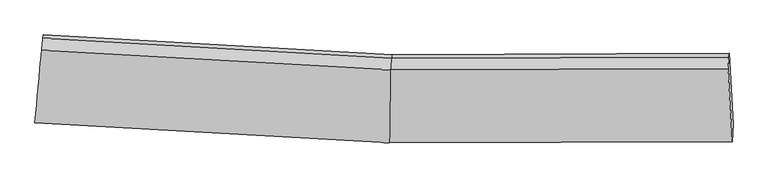
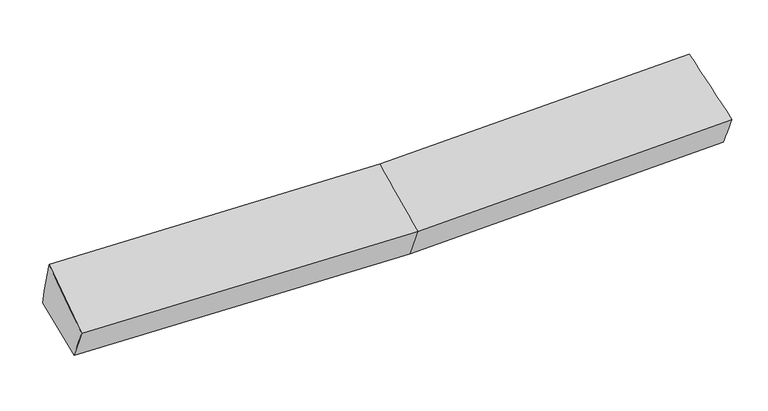
"""IFC4 building model written with IfcOpenShell, lengths in millimetres: proxy geometry."""

import ifcopenshell
import ifcopenshell.guid

model = None  # the IFC model being written
_history = None  # IfcOwnerHistory: only IFC2X3 demands one
_inside = {}  # id of a spatial element -> (the spatial element, [elements in it])
_under = {}  # id of a project, library or spatial element -> (it, [spatial elements below it])
_declared = {}  # id of a project -> (the project, [libraries it declares])
_typed = {}  # id of a type object -> (the type object, [elements of that type])
_made_of = {}  # id of a material, layer set ... -> (it, [elements and type objects made of it])


def new_model(schema):
    """Start an empty IFC model of exactly this schema.

    Asked for "IFC4X3", IfcOpenShell would pick the latest addendum, in which some entities
    have other attributes; the version numbers below select the first issue.
    IFC2X3 requires an IfcOwnerHistory on every rooted entity: one is made here for all.
    """
    global model, _history
    if schema == "IFC4X3":
        model = ifcopenshell.file(schema_version=(4, 3, 0, 0))
    else:
        model = ifcopenshell.file(schema=schema)
    _inside.clear()
    _under.clear()
    _declared.clear()
    _typed.clear()
    _made_of.clear()
    _history = None
    if model.schema == "IFC2X3":
        org = make("IfcOrganization", Name="unknown")
        user = make(
            "IfcPersonAndOrganization",
            ThePerson=make("IfcPerson", FamilyName="unknown"),
            TheOrganization=org,
        )
        app = make(
            "IfcApplication",
            ApplicationDeveloper=org,
            Version="unknown",
            ApplicationFullName="unknown",
            ApplicationIdentifier="unknown",
        )
        _history = make(
            "IfcOwnerHistory",
            OwningUser=user,
            OwningApplication=app,
            ChangeAction="ADDED",
            CreationDate=0,
        )
    return model


def make(cls, **values):
    """One entity of the class cls with the attributes given. An attribute that is None is left unset."""
    return model.create_entity(
        cls, **{name: value for name, value in values.items() if value is not None}
    )


def rooted(cls, **values):
    """An entity with a GlobalId (a new one), such as an element, a storey or a relation."""
    return make(cls, GlobalId=ifcopenshell.guid.new(), OwnerHistory=_history, **values)


def si_unit(unit_type, name, prefix=None):
    """IfcSIUnit, for example si_unit("LENGTHUNIT", "METRE", prefix="MILLI")."""
    return make("IfcSIUnit", UnitType=unit_type, Prefix=prefix, Name=name)


def assignment(units):
    """IfcUnitAssignment: the units of a project."""
    return None if units is None else make("IfcUnitAssignment", Units=units)


def point(xyz):
    """IfcCartesianPoint."""
    return None if xyz is None else make("IfcCartesianPoint", Coordinates=xyz)


def direction(xyz):
    """IfcDirection."""
    return None if xyz is None else make("IfcDirection", DirectionRatios=xyz)


def frame(location, z_axis=None, x_axis=None):
    """IfcAxis2Placement3D, a coordinate frame: its origin and axes. An axis left out is left unset."""
    return make(
        "IfcAxis2Placement3D",
        Location=point(location),
        Axis=direction(z_axis),
        RefDirection=direction(x_axis),
    )


def origin():
    """The frame at (0, 0, 0) with its axes left unset."""
    return frame((0.0, 0.0, 0.0))


def place(relative_to, where):
    """IfcLocalPlacement: puts the frame where relative to a parent placement (None: the world)."""
    return make(
        "IfcLocalPlacement", PlacementRelTo=relative_to, RelativePlacement=where
    )


def context(
    kind, dimensions, precision=None, world=None, true_north=None, identifier=None
):
    """IfcGeometricRepresentationContext, for example the 3D "Model" context."""
    return make(
        "IfcGeometricRepresentationContext",
        ContextIdentifier=identifier,
        ContextType=kind,
        CoordinateSpaceDimension=dimensions,
        Precision=precision,
        WorldCoordinateSystem=world,
        TrueNorth=true_north,
    )


def project(units=None, contexts=None):
    """IfcProject with its units and contexts."""
    return rooted(
        "IfcProject",
        Name="project",
        RepresentationContexts=contexts,
        UnitsInContext=assignment(units),
    )


def spatial(cls, under=None, at=None, **own):
    """A site, building, storey or space (cls), placed at a placement, below another one or the project."""
    s = rooted(cls, ObjectPlacement=at, **own)
    if under is not None:
        _under.setdefault(under.id(), (under, []))[1].append(s)
    return s


def shape(context_of_items, identifier, shape_type, items):
    """IfcShapeRepresentation: the items that make up one representation, for example the "Body"."""
    return make(
        "IfcShapeRepresentation",
        ContextOfItems=context_of_items,
        RepresentationIdentifier=identifier,
        RepresentationType=shape_type,
        Items=items,
    )


def source(mapping_origin, context_of_items, identifier, shape_type, items):
    """IfcRepresentationMap: a shape defined once, which mapped items show again and again."""
    return make(
        "IfcRepresentationMap",
        MappingOrigin=mapping_origin,
        MappedRepresentation=shape(context_of_items, identifier, shape_type, items),
    )


def transform(
    local_origin,
    x_axis=None,
    y_axis=None,
    z_axis=None,
    scale=None,
    scale2=None,
    scale3=None,
    uniform=True,
):
    """IfcCartesianTransformationOperator3D, or its non-uniform kind. x_axis, y_axis, z_axis: its Axis1, 2, 3."""
    if uniform:
        return make(
            "IfcCartesianTransformationOperator3D",
            Axis1=direction(x_axis),
            Axis2=direction(y_axis),
            LocalOrigin=point(local_origin),
            Scale=scale,
            Axis3=direction(z_axis),
        )
    return make(
        "IfcCartesianTransformationOperator3DnonUniform",
        Axis1=direction(x_axis),
        Axis2=direction(y_axis),
        LocalOrigin=point(local_origin),
        Scale=scale,
        Axis3=direction(z_axis),
        Scale2=scale2,
        Scale3=scale3,
    )


def mapped(mapping_source, mapping_target):
    """IfcMappedItem: shows the shape of a source again, moved by a transform."""
    return make(
        "IfcMappedItem", MappingSource=mapping_source, MappingTarget=mapping_target
    )


def made_of(thing, what):
    """Note that an element or type object is made of a material, layer set ...; save() writes the relation."""
    if what is not None:
        _made_of.setdefault(what.id(), (what, []))[1].append(thing)
    return thing


def element(
    cls,
    number,
    at=None,
    inside=None,
    cuts=None,
    type_object=None,
    material=None,
    context=None,
    identifier="Body",
    shape_type=None,
    held_by="IfcProductDefinitionShape",
    body=None,
    shapes=None,
    **own,
):
    """One element of the class cls, such as IfcWall. Its Tag is "e" and its number.

    at: its placement. inside: the storey or other place that contains it. cuts: it is an
    opening in that element (IfcRelVoidsElement). A single representation is given by context,
    identifier, shape_type and body (its items); several are given by shapes. held_by: the class
    of the entity that holds the representations. save() writes the other relations.
    """
    e = rooted(cls, Tag="e%d" % number, ObjectPlacement=at, **own)
    if body is not None:
        shapes = [shape(context, identifier, shape_type, body)]
    if shapes is not None:
        e.Representation = make(held_by, Representations=shapes)
    if inside is not None:
        _inside.setdefault(inside.id(), (inside, []))[1].append(e)
    if cuts is not None:
        rooted(
            "IfcRelVoidsElement", RelatingBuildingElement=cuts, RelatedOpeningElement=e
        )
    if type_object is not None:
        _typed.setdefault(type_object.id(), (type_object, []))[1].append(e)
    return made_of(e, material)


def aggregate(whole, parts):
    """IfcRelAggregates: a whole, such as a stair, and the parts it consists of."""
    return rooted("IfcRelAggregates", RelatingObject=whole, RelatedObjects=parts)


def save(model, path):
    """Write the relations noted so far, then the file.

    IfcRelAggregates (storeys below a building ...), IfcRelContainedInSpatialStructure (elements
    in a storey), IfcRelDefinesByType, IfcRelAssociatesMaterial and IfcRelDeclares: one each for
    every whole, place, type object, material and project.
    """
    for whole, parts in _under.values():
        aggregate(whole, parts)
    for where, things in _inside.values():
        rooted(
            "IfcRelContainedInSpatialStructure",
            RelatedElements=things,
            RelatingStructure=where,
        )
    for kind, things in _typed.values():
        rooted("IfcRelDefinesByType", RelatedObjects=things, RelatingType=kind)
    for what, things in _made_of.values():
        rooted("IfcRelAssociatesMaterial", RelatedObjects=things, RelatingMaterial=what)
    for by, libraries in _declared.values():
        rooted("IfcRelDeclares", RelatingContext=by, RelatedDefinitions=libraries)
    model.write(path)


def plane_surface(at):
    """IfcPlane: the flat surface through the origin of the frame at, square to its z axis."""
    return make("IfcPlane", Position=at)


def spline_surface(u_degree, v_degree, points, u_multiplicities, v_multiplicities, u_knots, v_knots, weights=None):
    """IfcBSplineSurfaceWithKnots; with weights, IfcRationalBSplineSurfaceWithKnots. points: one row for each step in u."""
    own = dict(
        UDegree=u_degree,
        VDegree=v_degree,
        ControlPointsList=[[point(p) for p in row] for row in points],
        SurfaceForm="UNSPECIFIED",
        UClosed=False,
        VClosed=False,
        SelfIntersect=False,
        UMultiplicities=u_multiplicities,
        VMultiplicities=v_multiplicities,
        UKnots=u_knots,
        VKnots=v_knots,
        KnotSpec="UNSPECIFIED",
    )
    if weights is None:
        return make("IfcBSplineSurfaceWithKnots", **own)
    return make("IfcRationalBSplineSurfaceWithKnots", WeightsData=weights, **own)


def advanced_brep(points, edges, surfaces, faces):
    """IfcAdvancedBrep: a solid bounded by faces that lie on surfaces and meet in shared edges.

    An edge is (start, end): straight between two places in points (the first is 0);
    or (start, end, curve); or (start, end, curve, False) where it runs against its curve.
    A face is (place in surfaces, loops), or (place, loops, False) where it looks against
    its surface's normal. A loop lists edges by number (the first is 1), with a minus sign
    where the edge is run from its end to its start. The first loop is the outer one.
    """
    corners = [point(p) for p in points]
    vertices = [make("IfcVertexPoint", VertexGeometry=c) for c in corners]
    made = []
    for start, end, *more in edges:
        made.append(
            make(
                "IfcEdgeCurve",
                EdgeStart=vertices[start],
                EdgeEnd=vertices[end],
                EdgeGeometry=more[0] if more else make("IfcPolyline", Points=[corners[start], corners[end]]),
                SameSense=more[1] if len(more) > 1 else True,
            )
        )
    hull = []
    for where, loops, *sense in faces:
        bounds = []
        for j, loop in enumerate(loops):
            ring = [make("IfcOrientedEdge", EdgeElement=made[abs(k) - 1], Orientation=k > 0) for k in loop]
            bounds.append(
                make(
                    "IfcFaceOuterBound" if j == 0 else "IfcFaceBound",
                    Bound=make("IfcEdgeLoop", EdgeList=ring),
                    Orientation=True,
                )
            )
        hull.append(make("IfcAdvancedFace", Bounds=bounds, FaceSurface=surfaces[where], SameSense=sense[0] if sense else True))
    return make("IfcAdvancedBrep", Outer=make("IfcClosedShell", CfsFaces=hull))


def generic_models_7ad45454(model_context):
    return source(origin(), model_context, "Body", "AdvancedBrep", [
        advanced_brep(
        [(-3351.2121117, -1972.8754745, 2013.2847346), (-3332.8097558, -1808.0238446, 1661.3830347), (27.0318124, -1997.1195407, 1713.1857688), (14.9576628, -2162.3491618, 2065.1842066), (-3270.0205488, -1136.4226229, 1806.6734833), (40.2201571, -1322.5556019, 1857.7179797), (-3274.4081093, -1169.8488359, 1963.0814038), (35.8325965, -1355.9818149, 2014.1259002), (-3287.8307231, -1281.7247031, 2322.9513468), (24.8783679, -1468.0051217, 2374.033577), (3239.905744, -1346.1541888, 2090.7624622), (3231.3402877, -1458.1545315, 2450.7420565), (3273.1560013, -2152.001212, 2143.4502896), (3279.1060479, -1986.830464, 1791.2674764), (3244.2933045, -1312.7279758, 1934.3545417)],
        [
            (0, 1),
            (1, 2),
            (2, 3),
            (3, 0),
            (1, 4),
            (4, 5),
            (5, 1),
            (4, 6),
            (6, 7),
            (7, 5),
            (6, 8),
            (8, 9),
            (9, 7),
            (8, 0),
            (3, 9),
            (10, 11),
            (11, 12),
            (12, 13),
            (13, 14),
            (14, 10),
            (5, 2),
            (9, 11),
            (10, 7),
            (3, 12),
            (2, 13),
            (5, 14),
        ],
        [
            spline_surface(1, 1, [[(-3351.2121117, -1972.8754745, 2013.2847346), (14.9576628, -2162.3491618, 2065.1842066)], [(-3332.8097558, -1808.0238446, 1661.3830347), (27.0318124, -1997.1195407, 1713.1857688)]], [2, 2], [2, 2], [0.0, 1.0], [0.0, 1.0]),
            plane_surface(frame((-3301.4151523, -1472.2232337, 1734.028259), z_axis=(0.026824359136151603, 0.20897068919478132, -0.977553939593306), x_axis=(0.09099885075278423, 0.9733351039566438, 0.21056586752696183))),
            plane_surface(frame((-3272.214329, -1153.1357294, 1884.8774435), z_axis=(0.05165784989566287, 0.976314437329696, 0.21009899096796425), x_axis=(-0.027422253483822462, -0.20891383122397988, 0.9775495031645137))),
            spline_surface(1, 1, [[(-3274.4081093, -1169.8488359, 1963.0814038), (35.8325965, -1355.9818149, 2014.1259002)], [(-3287.8307231, -1281.7247031, 2322.9513468), (24.8783679, -1468.0051217, 2374.033577)]], [2, 2], [2, 2], [0.0, 1.0], [0.0, 1.0]),
            spline_surface(1, 1, [[(-3287.8307231, -1281.7247031, 2322.9513468), (24.8783679, -1468.0051217, 2374.033577)], [(-3351.2121117, -1972.8754745, 2013.2847346), (14.9576628, -2162.3491618, 2065.1842066)]], [2, 2], [2, 2], [0.0, 1.0], [0.0, 1.0]),
            plane_surface(frame((3253.5602771, -1651.1736744, 2082.1153653), z_axis=(0.9983498832789844, 0.04363392791821961, 0.03733083030507353), x_axis=(-0.022714150629856187, -0.297006087379939, 0.9546053904207877))),
            plane_surface(frame((-3303.2562497, -1473.7790962, 1953.4748006), z_axis=(-0.9954733693954586, 0.0947300719362742, -0.007680123397536341), x_axis=(0.08339656399259157, 0.9094089097577739, 0.40745606875761065))),
            plane_surface(frame((-3332.8097558, -1808.0238446, 1661.3830347), z_axis=(0.02683098524616375, 0.2089282464150704, -0.9775628297355847), x_axis=(0.01911354307237815, 0.977628896848587, 0.2094669723795024))),
            spline_surface(1, 1, [[(35.8325965, -1355.9818149, 2014.1259002), (3239.905744, -1346.1541888, 2090.7624622)], [(24.8783679, -1468.0051217, 2374.033577), (3231.3402877, -1458.1545315, 2450.7420565)]], [2, 2], [2, 2], [0.0, 1.0], [0.0, 1.0]),
            spline_surface(1, 1, [[(24.8783679, -1468.0051217, 2374.033577), (3231.3402877, -1458.1545315, 2450.7420565)], [(14.9576628, -2162.3491618, 2065.1842066), (3273.1560013, -2152.001212, 2143.4502896)]], [2, 2], [2, 2], [0.0, 1.0], [0.0, 1.0]),
            spline_surface(1, 1, [[(14.9576628, -2162.3491618, 2065.1842066), (3273.1560013, -2152.001212, 2143.4502896)], [(27.0318124, -1997.1195407, 1713.1857688), (3279.1060479, -1986.830464, 1791.2674764)]], [2, 2], [2, 2], [0.0, 1.0], [0.0, 1.0]),
            spline_surface(1, 1, [[(27.0318124, -1997.1195407, 1713.1857688), (3279.1060479, -1986.830464, 1791.2674764)], [(40.2201571, -1322.5556019, 1857.7179797), (3244.2933045, -1312.7279758, 1934.3545417)]], [2, 2], [2, 2], [0.0, 1.0], [0.0, 1.0]),
            plane_surface(frame((38.0263768, -1339.2687084, 1935.92194), z_axis=(-0.007993033573822143, 0.9779318221881079, 0.20877131643531613), x_axis=(-0.027422253483716123, -0.20891383122392618, 0.9775495031645282))),
        ],
        [
            (0, [[1, 2, 3, 4]]),
            (1, [[5, 6, 7]]),
            (2, [[8, 9, 10, -6]]),
            (3, [[11, 12, 13, -9]]),
            (4, [[14, -4, 15, -12]]),
            (5, [[16, 17, 18, 19, 20]]),
            (6, [[-14, -11, -8, -5, -1]]),
            (7, [[21, -2, -7]]),
            (8, [[-13, 22, -16, 23]]),
            (9, [[-15, 24, -17, -22]]),
            (10, [[-3, 25, -18, -24]]),
            (11, [[-21, 26, -19, -25]]),
            (12, [[-10, -23, -20, -26]]),
        ],
    ),
    ])


if __name__ == "__main__":
    model = new_model("IFC4")
    model_context = context("Model", 3, world=origin())
    ifc_project = project(units=[si_unit("LENGTHUNIT", "METRE", prefix="MILLI")], contexts=[model_context])
    site = spatial("IfcSite", under=ifc_project)
    building = spatial("IfcBuilding", under=site)
    placement = place(None, origin())
    generic_models_shape = generic_models_7ad45454(model_context)
    element("IfcBuildingElementProxy", 1, Name="Generic Models", at=placement, inside=building, context=model_context, shape_type="MappedRepresentation", body=[
        mapped(generic_models_shape, transform((0.0, 0.0, 0.0), x_axis=(1.0, 0.0, 0.0), y_axis=(0.0, 1.0, 0.0), z_axis=(0.0, 0.0, 1.0))),
    ])
    save(model, "model.ifc")
